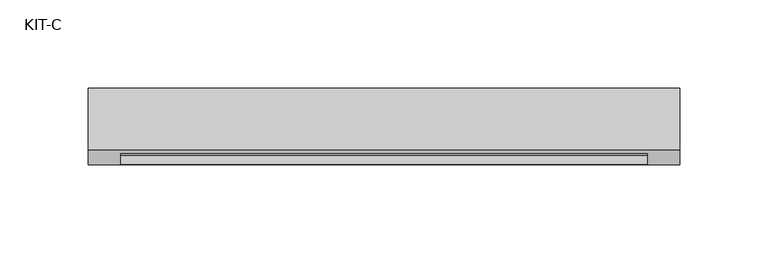
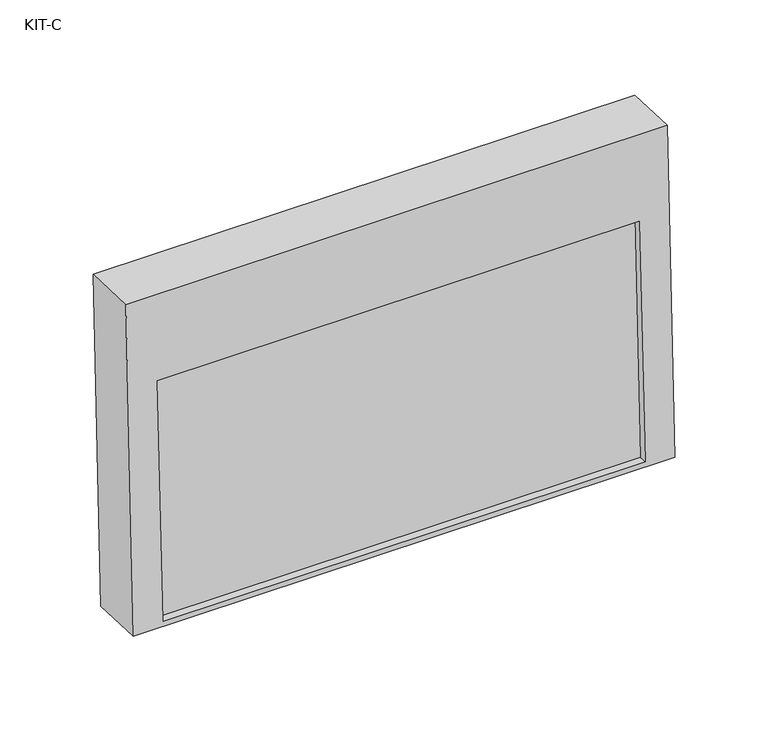
"""IFC4 building model written with IfcOpenShell, lengths in millimetres: plate geometry, KIT-C."""

from ifc_helpers import new_model, si_unit, frame, origin, place, context, project, spatial, polyline, outline, extrude, source, transform, mapped, element, save


def kit_c_ebf4d0a7(model_context):
    return source(origin(), model_context, "Body", "SweptSolid", [
        extrude(outline(polyline([(0.0, -299.0), (0.0, 0.0), (27.4505712, 0.0), (27.4505712, -299.0), (0.0, -299.0)])), frame((-149.5, -25.9189057, 1031.9813695), z_axis=(0.0, 0.03973683410233642, 0.9992101801000245), x_axis=(0.0, 0.9992101801000245, -0.03973683410233642)), (0.0, 0.0, 1.0), 154.2315929),
        extrude(outline(polyline([(0.0, 0.0), (0.0, -336.0), (-212.7, -336.0), (-212.7, 0.0), (0.0, 0.0)]), holes=[polyline([(-55.0, -18.5), (-209.231593, -18.5), (-209.231593, -317.5), (-55.0, -317.5), (-55.0, -18.5)])]), frame((-168.0, 12.3716008, 1239.8556021), z_axis=(0.0, -0.9992101801000246, 0.039736834102334216), x_axis=(0.0, 0.039736834102334216, 0.9992101801000246)), (0.0, 0.0, 1.0), 35.0),
    ])


if __name__ == "__main__":
    model = new_model("IFC4")
    model_context = context("Model", 3, world=origin())
    ifc_project = project(units=[si_unit("LENGTHUNIT", "METRE", prefix="MILLI")], contexts=[model_context])
    site = spatial("IfcSite", under=ifc_project)
    building = spatial("IfcBuilding", under=site)
    placement = place(None, origin())
    kit_c_shape = kit_c_ebf4d0a7(model_context)
    element("IfcPlate", 1, ObjectType="KIT-C", at=placement, inside=building, context=model_context, shape_type="MappedRepresentation", body=[
        mapped(kit_c_shape, transform((0.0, 0.0, 0.0), x_axis=(1.0, 0.0, 0.0), y_axis=(0.0, 1.0, 0.0), z_axis=(0.0, 0.0, 1.0))),
    ])
    save(model, "model.ifc")
